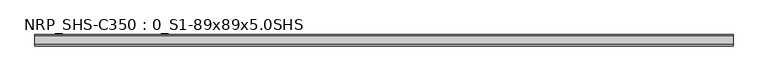
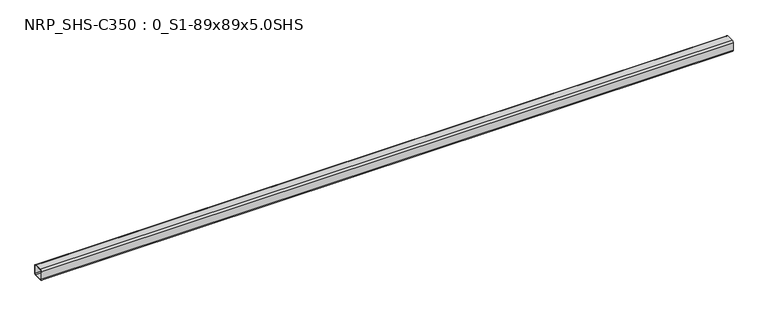
"""IFC4 building model written with IfcOpenShell, lengths in millimetres: beam geometry, NRP_SHS-C350 : 0_S1-89x89x5.0SHS."""

import ifcopenshell
import ifcopenshell.guid

model = None  # the IFC model being written
_history = None  # IfcOwnerHistory: only IFC2X3 demands one
_inside = {}  # id of a spatial element -> (the spatial element, [elements in it])
_under = {}  # id of a project, library or spatial element -> (it, [spatial elements below it])
_declared = {}  # id of a project -> (the project, [libraries it declares])
_typed = {}  # id of a type object -> (the type object, [elements of that type])
_made_of = {}  # id of a material, layer set ... -> (it, [elements and type objects made of it])


def new_model(schema):
    """Start an empty IFC model of exactly this schema.

    Asked for "IFC4X3", IfcOpenShell would pick the latest addendum, in which some entities
    have other attributes; the version numbers below select the first issue.
    IFC2X3 requires an IfcOwnerHistory on every rooted entity: one is made here for all.
    """
    global model, _history
    if schema == "IFC4X3":
        model = ifcopenshell.file(schema_version=(4, 3, 0, 0))
    else:
        model = ifcopenshell.file(schema=schema)
    _inside.clear()
    _under.clear()
    _declared.clear()
    _typed.clear()
    _made_of.clear()
    _history = None
    if model.schema == "IFC2X3":
        org = make("IfcOrganization", Name="unknown")
        user = make(
            "IfcPersonAndOrganization",
            ThePerson=make("IfcPerson", FamilyName="unknown"),
            TheOrganization=org,
        )
        app = make(
            "IfcApplication",
            ApplicationDeveloper=org,
            Version="unknown",
            ApplicationFullName="unknown",
            ApplicationIdentifier="unknown",
        )
        _history = make(
            "IfcOwnerHistory",
            OwningUser=user,
            OwningApplication=app,
            ChangeAction="ADDED",
            CreationDate=0,
        )
    return model


def make(cls, **values):
    """One entity of the class cls with the attributes given. An attribute that is None is left unset."""
    return model.create_entity(
        cls, **{name: value for name, value in values.items() if value is not None}
    )


def rooted(cls, **values):
    """An entity with a GlobalId (a new one), such as an element, a storey or a relation."""
    return make(cls, GlobalId=ifcopenshell.guid.new(), OwnerHistory=_history, **values)


def si_unit(unit_type, name, prefix=None):
    """IfcSIUnit, for example si_unit("LENGTHUNIT", "METRE", prefix="MILLI")."""
    return make("IfcSIUnit", UnitType=unit_type, Prefix=prefix, Name=name)


def assignment(units):
    """IfcUnitAssignment: the units of a project."""
    return None if units is None else make("IfcUnitAssignment", Units=units)


def point(xyz):
    """IfcCartesianPoint."""
    return None if xyz is None else make("IfcCartesianPoint", Coordinates=xyz)


def direction(xyz):
    """IfcDirection."""
    return None if xyz is None else make("IfcDirection", DirectionRatios=xyz)


def frame(location, z_axis=None, x_axis=None):
    """IfcAxis2Placement3D, a coordinate frame: its origin and axes. An axis left out is left unset."""
    return make(
        "IfcAxis2Placement3D",
        Location=point(location),
        Axis=direction(z_axis),
        RefDirection=direction(x_axis),
    )


def frame_2d(location, x_axis=None):
    """IfcAxis2Placement2D, a coordinate frame in the plane: its origin and x axis."""
    return make(
        "IfcAxis2Placement2D", Location=point(location), RefDirection=direction(x_axis)
    )


def origin():
    """The frame at (0, 0, 0) with its axes left unset."""
    return frame((0.0, 0.0, 0.0))


def place(relative_to, where):
    """IfcLocalPlacement: puts the frame where relative to a parent placement (None: the world)."""
    return make(
        "IfcLocalPlacement", PlacementRelTo=relative_to, RelativePlacement=where
    )


def context(
    kind, dimensions, precision=None, world=None, true_north=None, identifier=None
):
    """IfcGeometricRepresentationContext, for example the 3D "Model" context."""
    return make(
        "IfcGeometricRepresentationContext",
        ContextIdentifier=identifier,
        ContextType=kind,
        CoordinateSpaceDimension=dimensions,
        Precision=precision,
        WorldCoordinateSystem=world,
        TrueNorth=true_north,
    )


def project(units=None, contexts=None):
    """IfcProject with its units and contexts."""
    return rooted(
        "IfcProject",
        Name="project",
        RepresentationContexts=contexts,
        UnitsInContext=assignment(units),
    )


def spatial(cls, under=None, at=None, **own):
    """A site, building, storey or space (cls), placed at a placement, below another one or the project."""
    s = rooted(cls, ObjectPlacement=at, **own)
    if under is not None:
        _under.setdefault(under.id(), (under, []))[1].append(s)
    return s


def polyline(points):
    """IfcPolyline through the points."""
    return make("IfcPolyline", Points=[point(p) for p in points])


def circle_curve(where, radius):
    """IfcCircle in the frame where."""
    return make("IfcCircle", Position=where, Radius=radius)


def trimmed(basis, trim1, trim2, sense, master):
    """IfcTrimmedCurve: the piece of a basis curve between two trims."""
    return make(
        "IfcTrimmedCurve",
        BasisCurve=basis,
        Trim1=trim1,
        Trim2=trim2,
        SenseAgreement=sense,
        MasterRepresentation=master,
    )


def segment(curve, same_sense, transition):
    """IfcCompositeCurveSegment."""
    return make(
        "IfcCompositeCurveSegment",
        Transition=transition,
        SameSense=same_sense,
        ParentCurve=curve,
    )


def composite_curve(segments, self_intersect=None):
    """IfcCompositeCurve: segments joined end to end."""
    return make("IfcCompositeCurve", Segments=segments, SelfIntersect=self_intersect)


def outline(outer, holes=None, kind="AREA"):
    """IfcArbitraryClosedProfileDef: a profile drawn as a closed curve; with holes, ...WithVoids."""
    if holes is None:
        return make("IfcArbitraryClosedProfileDef", ProfileType=kind, OuterCurve=outer)
    return make(
        "IfcArbitraryProfileDefWithVoids",
        ProfileType=kind,
        OuterCurve=outer,
        InnerCurves=holes,
    )


def extrude(swept, where, along, depth):
    """IfcExtrudedAreaSolid: the profile swept, set in the frame where, extruded along a direction by depth."""
    return make(
        "IfcExtrudedAreaSolid",
        SweptArea=swept,
        Position=where,
        ExtrudedDirection=direction(along),
        Depth=depth,
    )


def shape(context_of_items, identifier, shape_type, items):
    """IfcShapeRepresentation: the items that make up one representation, for example the "Body"."""
    return make(
        "IfcShapeRepresentation",
        ContextOfItems=context_of_items,
        RepresentationIdentifier=identifier,
        RepresentationType=shape_type,
        Items=items,
    )


def source(mapping_origin, context_of_items, identifier, shape_type, items):
    """IfcRepresentationMap: a shape defined once, which mapped items show again and again."""
    return make(
        "IfcRepresentationMap",
        MappingOrigin=mapping_origin,
        MappedRepresentation=shape(context_of_items, identifier, shape_type, items),
    )


def transform(
    local_origin,
    x_axis=None,
    y_axis=None,
    z_axis=None,
    scale=None,
    scale2=None,
    scale3=None,
    uniform=True,
):
    """IfcCartesianTransformationOperator3D, or its non-uniform kind. x_axis, y_axis, z_axis: its Axis1, 2, 3."""
    if uniform:
        return make(
            "IfcCartesianTransformationOperator3D",
            Axis1=direction(x_axis),
            Axis2=direction(y_axis),
            LocalOrigin=point(local_origin),
            Scale=scale,
            Axis3=direction(z_axis),
        )
    return make(
        "IfcCartesianTransformationOperator3DnonUniform",
        Axis1=direction(x_axis),
        Axis2=direction(y_axis),
        LocalOrigin=point(local_origin),
        Scale=scale,
        Axis3=direction(z_axis),
        Scale2=scale2,
        Scale3=scale3,
    )


def mapped(mapping_source, mapping_target):
    """IfcMappedItem: shows the shape of a source again, moved by a transform."""
    return make(
        "IfcMappedItem", MappingSource=mapping_source, MappingTarget=mapping_target
    )


def made_of(thing, what):
    """Note that an element or type object is made of a material, layer set ...; save() writes the relation."""
    if what is not None:
        _made_of.setdefault(what.id(), (what, []))[1].append(thing)
    return thing


def element(
    cls,
    number,
    at=None,
    inside=None,
    cuts=None,
    type_object=None,
    material=None,
    context=None,
    identifier="Body",
    shape_type=None,
    held_by="IfcProductDefinitionShape",
    body=None,
    shapes=None,
    **own,
):
    """One element of the class cls, such as IfcWall. Its Tag is "e" and its number.

    at: its placement. inside: the storey or other place that contains it. cuts: it is an
    opening in that element (IfcRelVoidsElement). A single representation is given by context,
    identifier, shape_type and body (its items); several are given by shapes. held_by: the class
    of the entity that holds the representations. save() writes the other relations.
    """
    e = rooted(cls, Tag="e%d" % number, ObjectPlacement=at, **own)
    if body is not None:
        shapes = [shape(context, identifier, shape_type, body)]
    if shapes is not None:
        e.Representation = make(held_by, Representations=shapes)
    if inside is not None:
        _inside.setdefault(inside.id(), (inside, []))[1].append(e)
    if cuts is not None:
        rooted(
            "IfcRelVoidsElement", RelatingBuildingElement=cuts, RelatedOpeningElement=e
        )
    if type_object is not None:
        _typed.setdefault(type_object.id(), (type_object, []))[1].append(e)
    return made_of(e, material)


def aggregate(whole, parts):
    """IfcRelAggregates: a whole, such as a stair, and the parts it consists of."""
    return rooted("IfcRelAggregates", RelatingObject=whole, RelatedObjects=parts)


def save(model, path):
    """Write the relations noted so far, then the file.

    IfcRelAggregates (storeys below a building ...), IfcRelContainedInSpatialStructure (elements
    in a storey), IfcRelDefinesByType, IfcRelAssociatesMaterial and IfcRelDeclares: one each for
    every whole, place, type object, material and project.
    """
    for whole, parts in _under.values():
        aggregate(whole, parts)
    for where, things in _inside.values():
        rooted(
            "IfcRelContainedInSpatialStructure",
            RelatedElements=things,
            RelatingStructure=where,
        )
    for kind, things in _typed.values():
        rooted("IfcRelDefinesByType", RelatedObjects=things, RelatingType=kind)
    for what, things in _made_of.values():
        rooted("IfcRelAssociatesMaterial", RelatedObjects=things, RelatingMaterial=what)
    for by, libraries in _declared.values():
        rooted("IfcRelDeclares", RelatingContext=by, RelatedDefinitions=libraries)
    model.write(path)


def nrp_shs_c350_0_s1_89x89x5_0shs_6a08d57a(model_context):
    return source(origin(), model_context, "Body", "SweptSolid", [
        extrude(outline(composite_curve([segment(trimmed(circle_curve(frame_2d((-32.0, 32.0)), 12.5), [point((-44.5, 32.0))], [point((-32.0, 44.5))], False, "CARTESIAN"), True, "CONTINUOUS"), segment(polyline([(-32.0, 44.5), (32.0, 44.5)]), True, "CONTINUOUS"), segment(trimmed(circle_curve(frame_2d((32.0, 32.0)), 12.5), [point((32.0, 44.5))], [point((44.5, 32.0))], False, "CARTESIAN"), True, "CONTINUOUS"), segment(polyline([(44.5, 32.0), (44.5, -32.0)]), True, "CONTINUOUS"), segment(trimmed(circle_curve(frame_2d((32.0, -32.0)), 12.5), [point((44.5, -32.0))], [point((32.0, -44.5))], False, "CARTESIAN"), True, "CONTINUOUS"), segment(polyline([(32.0, -44.5), (-32.0, -44.5)]), True, "CONTINUOUS"), segment(trimmed(circle_curve(frame_2d((-32.0, -32.0)), 12.5), [point((-32.0, -44.5))], [point((-44.5, -32.0))], False, "CARTESIAN"), True, "CONTINUOUS"), segment(polyline([(-44.5, -32.0), (-44.5, 32.0)]), True, "CONTINUOUS")], self_intersect=False), holes=[composite_curve([segment(polyline([(32.0, 39.5), (-32.0, 39.5)]), True, "CONTINUOUS"), segment(trimmed(circle_curve(frame_2d((-32.0, 32.0)), 7.5), [point((-32.0, 39.5))], [point((-39.5, 32.0))], True, "CARTESIAN"), True, "CONTINUOUS"), segment(polyline([(-39.5, 32.0), (-39.5, -32.0)]), True, "CONTINUOUS"), segment(trimmed(circle_curve(frame_2d((-32.0, -32.0)), 7.5), [point((-39.5, -32.0))], [point((-32.0, -39.5))], True, "CARTESIAN"), True, "CONTINUOUS"), segment(polyline([(-32.0, -39.5), (32.0, -39.5)]), True, "CONTINUOUS"), segment(trimmed(circle_curve(frame_2d((32.0, -32.0)), 7.5), [point((32.0, -39.5))], [point((39.5, -32.0))], True, "CARTESIAN"), True, "CONTINUOUS"), segment(polyline([(39.5, -32.0), (39.5, 32.0)]), True, "CONTINUOUS"), segment(trimmed(circle_curve(frame_2d((32.0, 32.0)), 7.5), [point((39.5, 32.0))], [point((32.0, 39.5))], True, "CARTESIAN"), True, "CONTINUOUS")], self_intersect=False)]), frame((-2762.0, 0.0, 0.0), z_axis=(1.0, 0.0, 0.0), x_axis=(0.0, 1.0, 0.0)), (0.0, 0.0, 1.0), 5554.0),
    ])


if __name__ == "__main__":
    model = new_model("IFC4")
    model_context = context("Model", 3, world=origin())
    ifc_project = project(units=[si_unit("LENGTHUNIT", "METRE", prefix="MILLI")], contexts=[model_context])
    site = spatial("IfcSite", under=ifc_project)
    building = spatial("IfcBuilding", under=site)
    placement = place(None, origin())
    nrp_shs_c350_0_s1_89x89x5_0shs_shape = nrp_shs_c350_0_s1_89x89x5_0shs_6a08d57a(model_context)
    element("IfcBeam", 1, ObjectType="NRP_SHS-C350 : 0_S1-89x89x5.0SHS", at=placement, inside=building, context=model_context, shape_type="MappedRepresentation", body=[
        mapped(nrp_shs_c350_0_s1_89x89x5_0shs_shape, transform((0.0, 0.0, 0.0), x_axis=(1.0, 0.0, 0.0), y_axis=(0.0, 1.0, 0.0), z_axis=(0.0, 0.0, 1.0))),
    ])
    save(model, "model.ifc")
